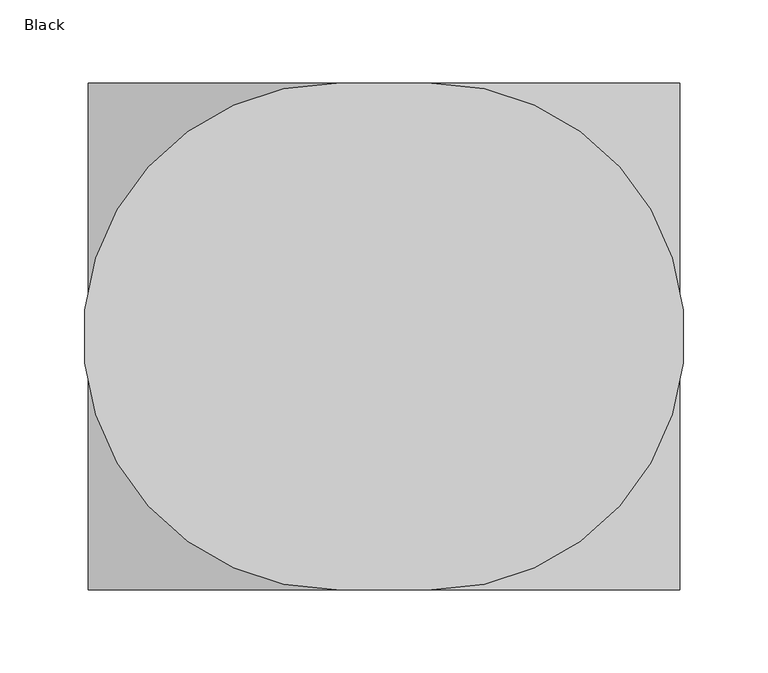
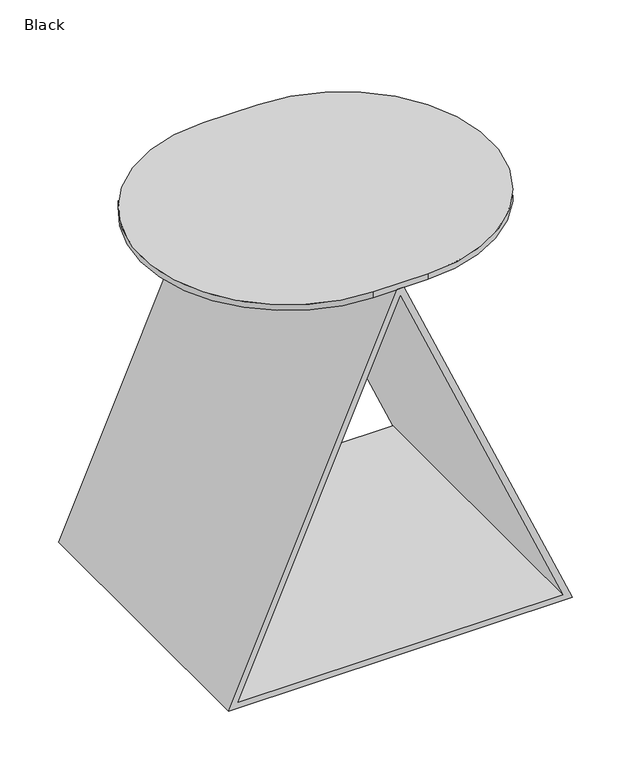
"""IFC4 building model written with IfcOpenShell, lengths in millimetres: furniture geometry, Black."""

from ifc_helpers import new_model, si_unit, point, frame, frame_2d, origin, place, context, project, spatial, polyline, circle_curve, trimmed, segment, composite_curve, outline, extrude, source, transform, mapped, element, save


def black_8d6f8066(model_context):
    return source(origin(), model_context, "Body", "SweptSolid", [
        extrude(outline(polyline([(400.0226398, -357.7241157), (400.0226398, -364.653476), (0.0, -538.9344644), (0.0, -183.4526433), (400.0226398, -357.7241157)]), holes=[polyline([(6.3373721, -529.2006987), (392.0360508, -361.1601597), (6.3373721, -193.1289786), (6.3373721, -529.2006987)])]), frame((0.0, 193.3927663, 0.0), z_axis=(0.0, 1.0, 0.0), x_axis=(0.0, 0.0, 1.0)), (0.0, 0.0, 1.0), 304.8017895),
        extrude(outline(composite_curve([segment(trimmed(circle_curve(frame_2d((-332.6639528, 345.7927663)), 152.4), [point((-332.6639528, 498.1927663))], [point((-332.6639528, 193.3927663))], False, "CARTESIAN"), True, "CONTINUOUS"), segment(polyline([(-332.6639528, 193.3927663), (-389.6038637, 193.3927663)]), True, "CONTINUOUS"), segment(trimmed(circle_curve(frame_2d((-389.6038637, 345.7927663)), 152.4), [point((-389.6038637, 193.3927663))], [point((-389.6038637, 498.1927663))], False, "CARTESIAN"), True, "CONTINUOUS"), segment(polyline([(-389.6038637, 498.1927663), (-332.6639528, 498.1927663)]), True, "CONTINUOUS")], self_intersect=False)), frame((0.0, 0.0, 400.0226398), z_axis=(0.0, 0.0, 1.0), x_axis=(1.0, 0.0, 0.0)), (0.0, 0.0, 1.0), 6.3011602),
    ])


if __name__ == "__main__":
    model = new_model("IFC4")
    model_context = context("Model", 3, world=origin())
    ifc_project = project(units=[si_unit("LENGTHUNIT", "METRE", prefix="MILLI")], contexts=[model_context])
    site = spatial("IfcSite", under=ifc_project)
    building = spatial("IfcBuilding", under=site)
    placement = place(None, origin())
    black_shape = black_8d6f8066(model_context)
    element("IfcFurniture", 1, ObjectType="Black", at=placement, inside=building, context=model_context, shape_type="MappedRepresentation", body=[
        mapped(black_shape, transform((0.0, 0.0, 0.0), x_axis=(1.0, 0.0, 0.0), y_axis=(0.0, 1.0, 0.0), z_axis=(0.0, 0.0, 1.0))),
    ])
    save(model, "model.ifc")
